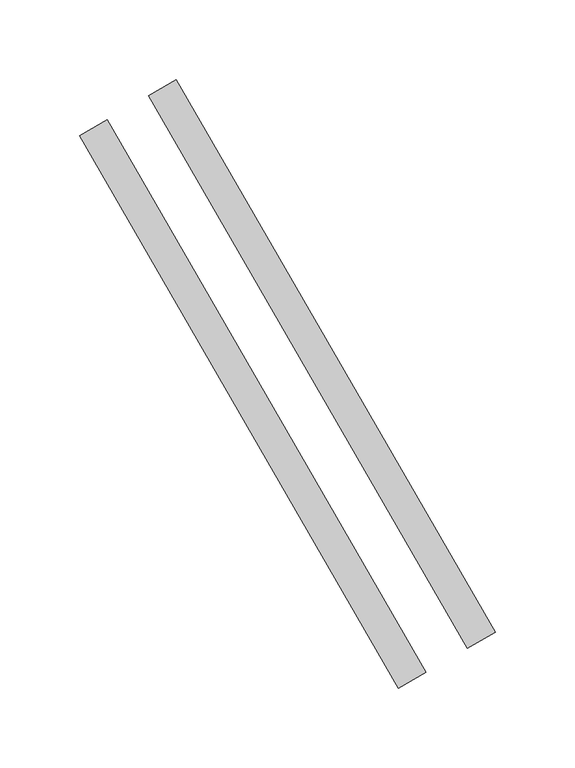
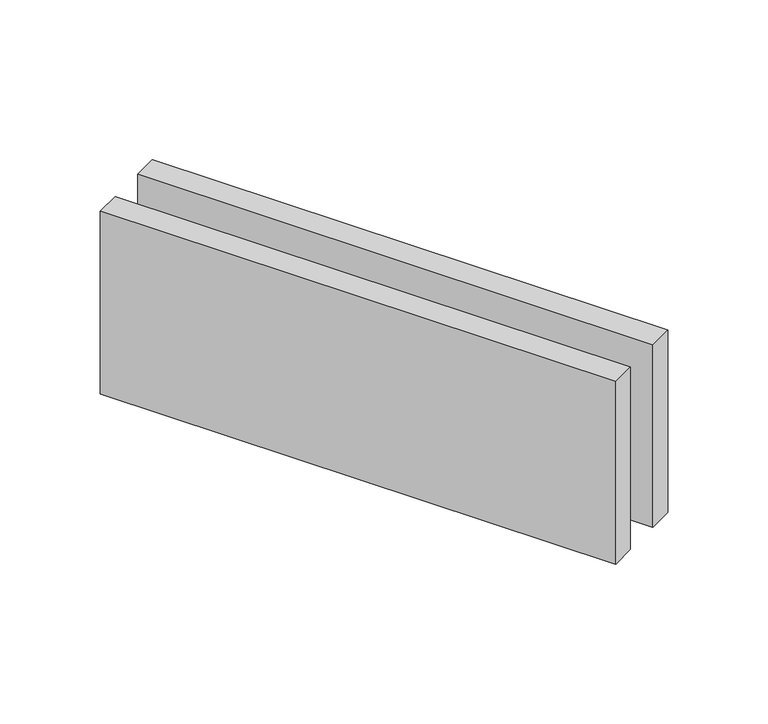
"""IFC4 building model written with IfcOpenShell, lengths in millimetres: proxy geometry."""

from ifc_helpers import new_model, si_unit, origin, origin_with_axes, place, context, project, spatial, polyline, outline, extrude, source, transform, mapped, element, save


def generic_models_164ea526(model_context):
    return source(origin(), model_context, "Body", "SweptSolid", [
        extrude(outline(polyline([(212.9903811, -338.9101615), (12.9903811, 7.5), (30.3108891, 17.5), (230.3108891, -328.9101615), (212.9903811, -338.9101615)])), origin_with_axes(), (0.0, 0.0, 1.0), 150.0),
        extrude(outline(polyline([(169.6891109, -363.9101615), (-30.3108891, -17.5), (-12.9903811, -7.5), (187.0096189, -353.9101615), (169.6891109, -363.9101615)])), origin_with_axes(), (0.0, 0.0, 1.0), 150.0),
    ])


if __name__ == "__main__":
    model = new_model("IFC4")
    model_context = context("Model", 3, world=origin())
    ifc_project = project(units=[si_unit("LENGTHUNIT", "METRE", prefix="MILLI")], contexts=[model_context])
    site = spatial("IfcSite", under=ifc_project)
    building = spatial("IfcBuilding", under=site)
    placement = place(None, origin())
    generic_models_shape = generic_models_164ea526(model_context)
    element("IfcBuildingElementProxy", 1, Name="Generic Models", at=placement, inside=building, context=model_context, shape_type="MappedRepresentation", body=[
        mapped(generic_models_shape, transform((0.0, 0.0, 0.0), x_axis=(1.0, 0.0, 0.0), y_axis=(0.0, 1.0, 0.0), z_axis=(0.0, 0.0, 1.0))),
    ])
    save(model, "model.ifc")
